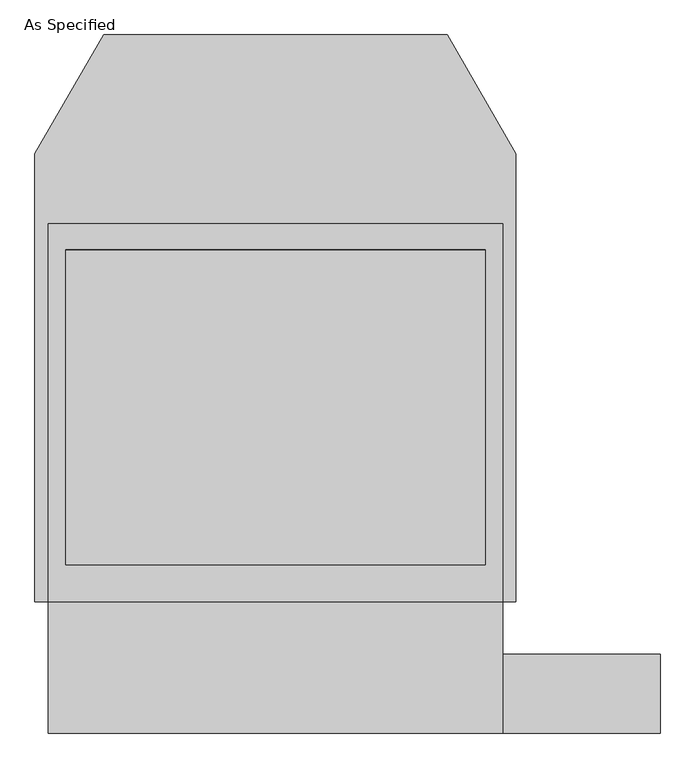
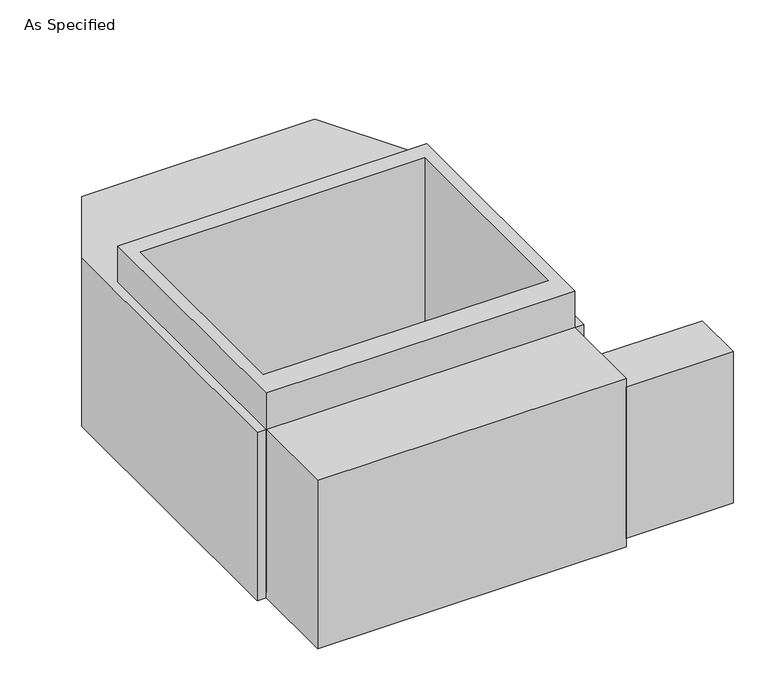
"""IFC4 building model written with IfcOpenShell, lengths in millimetres: proxy geometry, As Specified."""

from ifc_helpers import new_model, si_unit, frame, origin, place, context, project, spatial, polyline, outline, extrude, faceted_brep, source, transform, mapped, element, save


def as_specified_1a4ea929(model_context):
    return source(origin(), model_context, "Body", "SolidModel", [
        extrude(outline(polyline([(660.4, -1014.1148438), (660.4, -785.5148438), (1117.6, -785.5148438), (1117.6, -1014.1148438), (660.4, -1014.1148438)])), frame((0.0, 0.0, -749.3), z_axis=(0.0, 0.0, 1.0), x_axis=(1.0, 0.0, 0.0)), (0.0, 0.0, 1.0), 685.8),
        extrude(outline(polyline([(660.4, 465.4351562), (660.4, -633.1148438), (-660.4, -633.1148438), (-660.4, 465.4351562), (660.4, 465.4351562)]), holes=[polyline([(-609.6, 389.2748437), (-609.6, -525.1251563), (609.6, -525.1251563), (609.6, 389.2748437), (-609.6, 389.2748437)])]), frame((0.0, 0.0, -762.0), z_axis=(0.0, 0.0, 1.0), x_axis=(1.0, 0.0, 0.0)), (0.0, 0.0, 1.0), 901.7),
        faceted_brep([(660.4, -1014.1148438, -787.4), (-660.4, -1014.1148438, -787.4), (-660.4, -633.1148438, -787.4), (-698.5, -633.1148438, -787.4), (-698.5, 668.6748437, -787.4), (-499.060123, 1014.1148437, -787.4), (499.060123, 1014.1148437, -787.4), (698.5, 668.6748437, -787.4), (698.5, -633.1148438, -787.4), (660.4, -633.1148438, -787.4), (660.4, -1014.1148438, -25.4), (660.4, -633.1148438, -25.4), (698.5, -633.1148438, -25.4), (698.5, 668.6748437, -25.4), (499.060123, 1014.1148437, -25.4), (-499.060123, 1014.1148437, -25.4), (-698.5, 668.6748437, -25.4), (-698.5, -633.1148438, -25.4), (-660.4, -633.1148438, -25.4), (-660.4, -1014.1148438, -25.4), (609.6, 389.2748437, -25.4), (609.6, -525.1251563, -25.4), (-609.6, -525.1251563, -25.4), (-609.6, 389.2748437, -25.4), (609.6, 389.2748437, -762.0), (-609.6, 389.2748437, -762.0), (-609.6, -525.1251563, -762.0), (609.6, -525.1251563, -762.0)], [[[0, 1, 2, 3, 4, 5, 6, 7, 8, 9]], [[10, 11, 12, 13, 14, 15, 16, 17, 18, 19], [20, 21, 22, 23]], [[6, 5, 15, 14]], [[3, 17, 16, 4]], [[17, 3, 2, 18]], [[8, 12, 11, 9]], [[12, 8, 7, 13]], [[0, 9, 11, 10]], [[2, 1, 19, 18]], [[1, 0, 10, 19]], [[5, 4, 16, 15]], [[7, 6, 14, 13]], [[24, 25, 26, 27]], [[24, 27, 21, 20]], [[27, 26, 22, 21]], [[26, 25, 23, 22]], [[25, 24, 20, 23]]]),
    ])


if __name__ == "__main__":
    model = new_model("IFC4")
    model_context = context("Model", 3, world=origin())
    ifc_project = project(units=[si_unit("LENGTHUNIT", "METRE", prefix="MILLI")], contexts=[model_context])
    site = spatial("IfcSite", under=ifc_project)
    building = spatial("IfcBuilding", under=site)
    placement = place(None, origin())
    as_specified_shape = as_specified_1a4ea929(model_context)
    element("IfcBuildingElementProxy", 1, Name="As Specified", ObjectType="As Specified", at=placement, inside=building, context=model_context, shape_type="MappedRepresentation", body=[
        mapped(as_specified_shape, transform((0.0, 0.0, 0.0), x_axis=(1.0, 0.0, 0.0), y_axis=(0.0, 1.0, 0.0), z_axis=(0.0, 0.0, 1.0))),
    ])
    save(model, "model.ifc")
